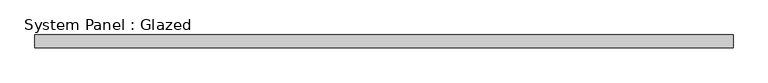
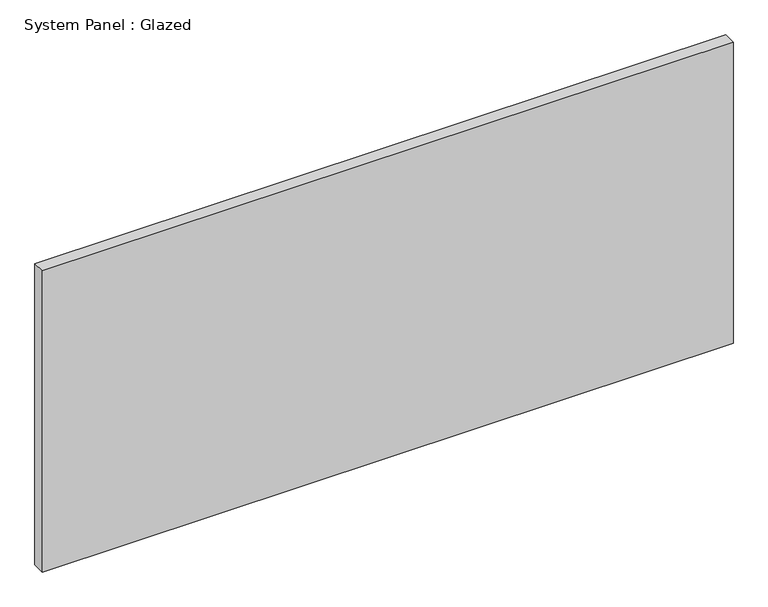
"""IFC4 building model written with IfcOpenShell, lengths in millimetres: plate geometry, System Panel : Glazed."""

from ifc_helpers import new_model, si_unit, origin, origin_with_axes, place, context, project, spatial, polyline, outline, extrude, source, transform, mapped, element, save


def system_panel_glazed_e2c779b2(model_context):
    return source(origin(), model_context, "Body", "SweptSolid", [
        extrude(outline(polyline([(678.3333333, 24.5), (-678.3333333, 24.5), (-678.3333333, 49.5), (678.3333333, 49.5), (678.3333333, 24.5)])), origin_with_axes(), (0.0, 0.0, 1.0), 625.0),
    ])


if __name__ == "__main__":
    model = new_model("IFC4")
    model_context = context("Model", 3, world=origin())
    ifc_project = project(units=[si_unit("LENGTHUNIT", "METRE", prefix="MILLI")], contexts=[model_context])
    site = spatial("IfcSite", under=ifc_project)
    building = spatial("IfcBuilding", under=site)
    placement = place(None, origin())
    system_panel_glazed_shape = system_panel_glazed_e2c779b2(model_context)
    element("IfcPlate", 1, ObjectType="System Panel : Glazed", at=placement, inside=building, context=model_context, shape_type="MappedRepresentation", body=[
        mapped(system_panel_glazed_shape, transform((0.0, 0.0, 0.0), x_axis=(1.0, 0.0, 0.0), y_axis=(0.0, 1.0, 0.0), z_axis=(0.0, 0.0, 1.0))),
    ])
    save(model, "model.ifc")
